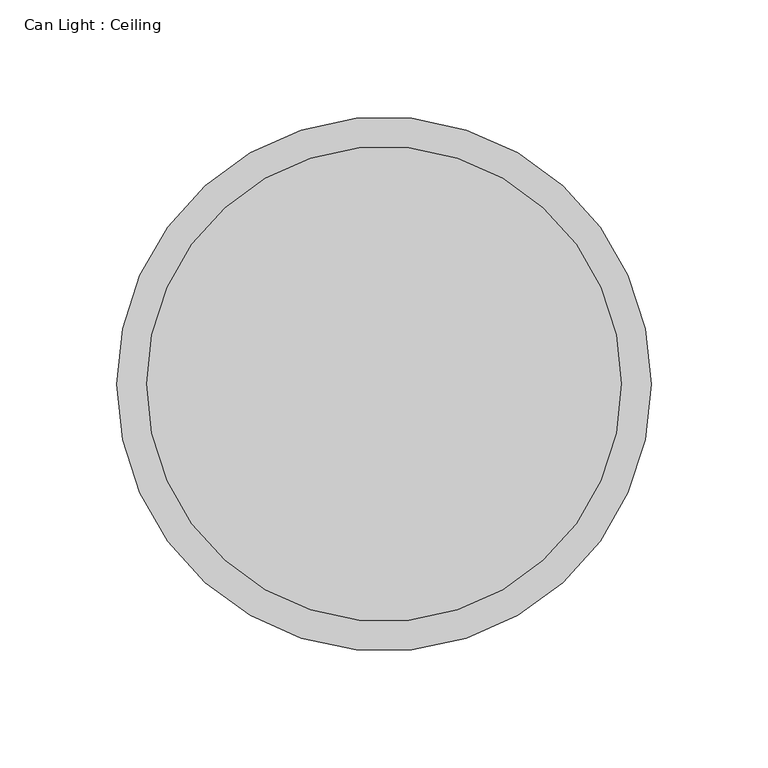
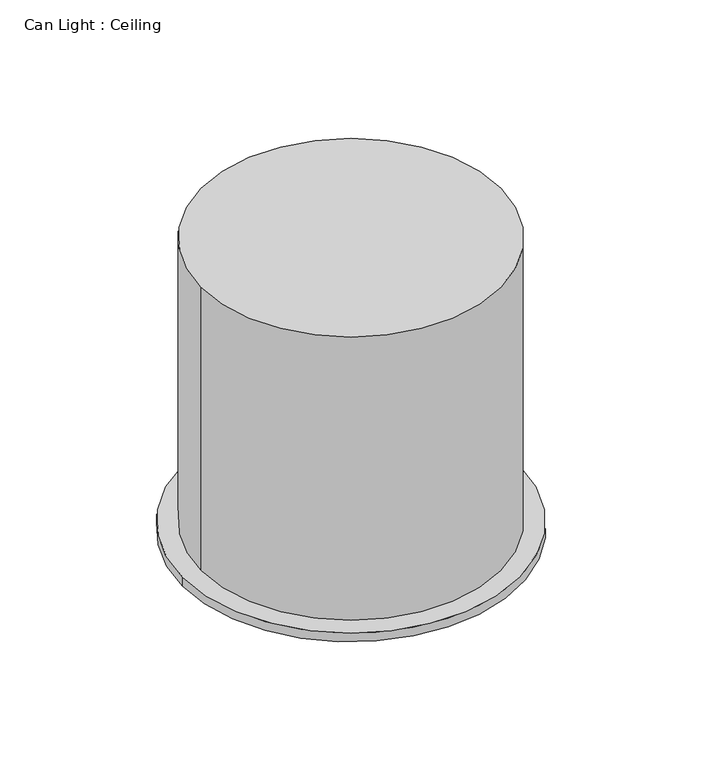
"""IFC4 building model written with IfcOpenShell, lengths in millimetres: light fixture geometry, Can Light : Ceiling."""

from ifc_helpers import new_model, si_unit, point, frame, frame_2d, origin, place, context, project, spatial, circle_curve, trimmed, segment, composite_curve, outline, extrude, source, transform, mapped, element, save


def can_light_ceiling_8e96230c(model_context):
    return source(origin(), model_context, "Body", "SweptSolid", [
        extrude(outline(composite_curve([segment(trimmed(circle_curve(frame_2d((-40.7617675, 10.7254698)), 114.3), [point((73.5382325, 10.7254698))], [point((-155.0617675, 10.7254698))], False, "CARTESIAN"), True, "CONTINUOUS"), segment(trimmed(circle_curve(frame_2d((-40.7617675, 10.7254698)), 114.3), [point((-155.0617675, 10.7254698))], [point((73.5382325, 10.7254698))], False, "CARTESIAN"), True, "CONTINUOUS")], self_intersect=False)), frame((0.0, 0.0, 2584.45), z_axis=(0.0, 0.0, 1.0), x_axis=(1.0, 0.0, 0.0)), (0.0, 0.0, 1.0), 6.35),
        extrude(outline(composite_curve([segment(trimmed(circle_curve(frame_2d((-40.7617675, 10.7254698)), 101.6), [point((60.8382325, 10.7254698))], [point((-142.3617675, 10.7254698))], False, "CARTESIAN"), True, "CONTINUOUS"), segment(trimmed(circle_curve(frame_2d((-40.7617675, 10.7254698)), 101.6), [point((-142.3617675, 10.7254698))], [point((60.8382325, 10.7254698))], False, "CARTESIAN"), True, "CONTINUOUS")], self_intersect=False)), frame((0.0, 0.0, 2590.8), z_axis=(0.0, 0.0, 1.0), x_axis=(1.0, 0.0, 0.0)), (0.0, 0.0, 1.0), 203.2),
    ])


if __name__ == "__main__":
    model = new_model("IFC4")
    model_context = context("Model", 3, world=origin())
    ifc_project = project(units=[si_unit("LENGTHUNIT", "METRE", prefix="MILLI")], contexts=[model_context])
    site = spatial("IfcSite", under=ifc_project)
    building = spatial("IfcBuilding", under=site)
    placement = place(None, origin())
    can_light_ceiling_shape = can_light_ceiling_8e96230c(model_context)
    element("IfcLightFixture", 1, ObjectType="Can Light : Ceiling", at=placement, inside=building, context=model_context, shape_type="MappedRepresentation", body=[
        mapped(can_light_ceiling_shape, transform((0.0, 0.0, 0.0), x_axis=(1.0, 0.0, 0.0), y_axis=(0.0, 1.0, 0.0), z_axis=(0.0, 0.0, 1.0))),
    ])
    save(model, "model.ifc")
